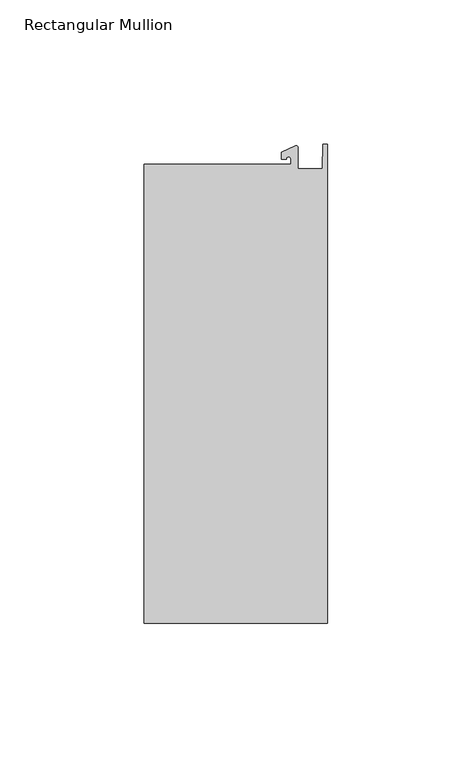
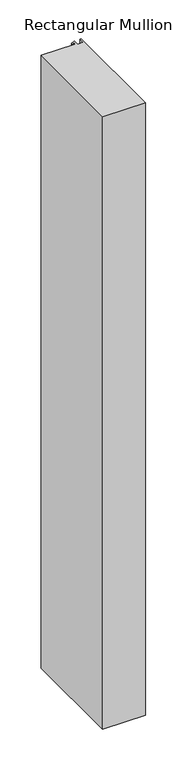
"""IFC4 building model written with IfcOpenShell, lengths in millimetres: member geometry, Rectangular Mullion."""

from ifc_helpers import new_model, si_unit, point, frame, frame_2d, origin, place, context, project, spatial, polyline, circle_curve, trimmed, segment, composite_curve, outline, extrude, source, transform, mapped, element, save


def rectangular_mullion_b1a8ca0b(model_context):
    return source(origin(), model_context, "Body", "SweptSolid", [
        extrude(outline(composite_curve([segment(polyline([(-12.6979967, 25.4849312), (-12.6979967, 27.2067741)]), True, "CONTINUOUS"), segment(trimmed(circle_curve(frame_2d((-13.4917467, 27.2067741)), 0.79375), [point((-12.6979967, 27.2067741))], [point((-14.2854967, 27.2067741))], True, "CARTESIAN"), True, "CONTINUOUS"), segment(polyline([(-14.2854967, 27.2067741), (-15.8729967, 27.2067741), (-15.8729967, 29.5689734), (-11.0330867, 31.8258605)]), True, "CONTINUOUS"), segment(trimmed(circle_curve(frame_2d((-10.8183967, 31.3654561)), 0.508), [point((-11.0330867, 31.8258605))], [point((-10.3103967, 31.3654561))], False, "CARTESIAN"), True, "CONTINUOUS"), segment(polyline([(-10.3103967, 31.3654561), (-10.3103967, 23.9227662), (-1.7144124, 23.9227662), (-1.5658966, 32.288874), (0.0, 32.288874), (0.0, -133.4428688), (-63.5, -133.4428688), (-63.5, 25.4849312), (-12.6979967, 25.4849312)]), True, "CONTINUOUS")], self_intersect=False)), frame((0.0, 0.0, -965.2), z_axis=(0.0, 0.0, 1.0), x_axis=(1.0, 0.0, 0.0)), (0.0, 0.0, 1.0), 965.2),
    ])


if __name__ == "__main__":
    model = new_model("IFC4")
    model_context = context("Model", 3, world=origin())
    ifc_project = project(units=[si_unit("LENGTHUNIT", "METRE", prefix="MILLI")], contexts=[model_context])
    site = spatial("IfcSite", under=ifc_project)
    building = spatial("IfcBuilding", under=site)
    placement = place(None, origin())
    rectangular_mullion_shape = rectangular_mullion_b1a8ca0b(model_context)
    element("IfcMember", 1, ObjectType="Rectangular Mullion", at=placement, inside=building, context=model_context, shape_type="MappedRepresentation", body=[
        mapped(rectangular_mullion_shape, transform((0.0, 0.0, 0.0), x_axis=(1.0, 0.0, 0.0), y_axis=(0.0, 1.0, 0.0), z_axis=(0.0, 0.0, 1.0))),
    ])
    save(model, "model.ifc")
